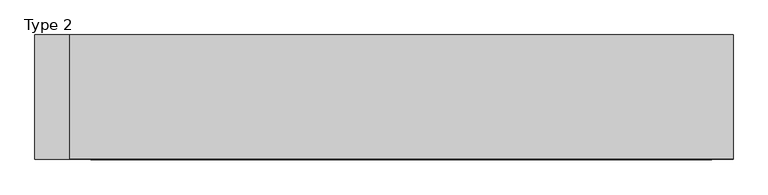
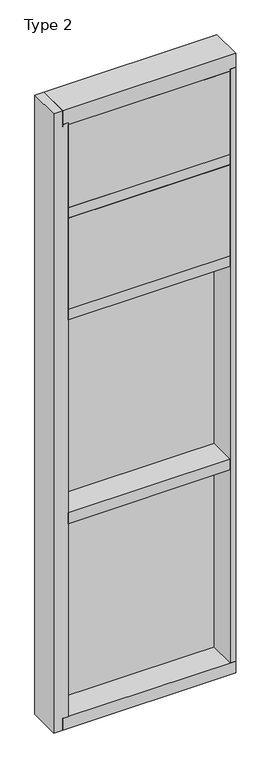
"""IFC4 building model written with IfcOpenShell, lengths in millimetres: plate geometry, Type 2."""

from ifc_helpers import new_model, si_unit, frame, origin, place, context, project, spatial, polyline, outline, extrude, faceted_brep, source, transform, mapped, element, save


def type_2_61697521(model_context):
    return source(origin(), model_context, "Body", "SolidModel", [
        extrude(outline(polyline([(490.1108975, 27.6881517), (490.1108975, 11.2982336), (477.4119867, 11.2982336), (477.4119867, 27.6881517), (490.1108975, 27.6881517)])), frame((0.0, 0.0, 1225.55), z_axis=(0.0, 0.0, 1.0), x_axis=(1.0, 0.0, 0.0)), (0.0, 0.0, 1.0), 1206.5),
        extrude(outline(polyline([(-477.4119867, 27.6881517), (-477.4119867, 11.2982336), (-490.1108975, 11.2982336), (-490.1108975, 27.6881517), (-477.4119867, 27.6881517)])), frame((0.0, 0.0, 1225.55), z_axis=(0.0, 0.0, 1.0), x_axis=(1.0, 0.0, 0.0)), (0.0, 0.0, 1.0), 1206.5),
        extrude(outline(polyline([(477.4119867, 27.686), (477.4119867, 2.286), (-477.4119867, 2.286), (-477.4119867, 27.686), (477.4119867, 27.686)])), frame((0.0, 0.0, 1225.55), z_axis=(0.0, 0.0, 1.0), x_axis=(1.0, 0.0, 0.0)), (0.0, 0.0, 1.0), 1206.5),
        extrude(outline(polyline([(490.1108975, 27.686), (490.1108975, 6.35), (-490.1108975, 6.35), (-490.1108975, 27.686), (490.1108975, 27.686)])), frame((0.0, 0.0, 2432.05), z_axis=(0.0, 0.0, 1.0), x_axis=(1.0, 0.0, 0.0)), (0.0, 0.0, 1.0), 12.7),
        extrude(outline(polyline([(458.3619867, -48.6409999), (458.3619867, -156.32684), (-458.3608975, -156.32684), (-458.3608975, -48.6409999), (458.3619867, -48.6409999)])), frame((0.0, 0.0, 2470.15), z_axis=(0.0, 0.0, 1.0), x_axis=(1.0, 0.0, 0.0)), (0.0, 0.0, 1.0), 546.1993556),
        extrude(outline(polyline([(490.1108975, 27.686), (490.1108975, 6.35), (-490.1108975, 6.35), (-490.1108975, 27.686), (490.1108975, 27.686)])), frame((0.0, 0.0, 3041.65), z_axis=(0.0, 0.0, 1.0), x_axis=(1.0, 0.0, 0.0)), (0.0, 0.0, 1.0), 12.7),
        extrude(outline(polyline([(490.1108975, 27.6881517), (490.1108975, 11.2982336), (477.4119867, 11.2982336), (477.4119867, 27.6881517), (490.1108975, 27.6881517)])), frame((0.0, 0.0, 2444.75), z_axis=(0.0, 0.0, 1.0), x_axis=(1.0, 0.0, 0.0)), (0.0, 0.0, 1.0), 596.9),
        extrude(outline(polyline([(-477.4119867, 27.6881517), (-477.4119867, 11.2982336), (-490.1108975, 11.2982336), (-490.1108975, 27.6881517), (-477.4119867, 27.6881517)])), frame((0.0, 0.0, 2444.75), z_axis=(0.0, 0.0, 1.0), x_axis=(1.0, 0.0, 0.0)), (0.0, 0.0, 1.0), 596.9),
        extrude(outline(polyline([(477.4119867, 27.686), (477.4119867, 2.286), (-477.4119867, 2.286), (-477.4119867, 27.686), (477.4119867, 27.686)])), frame((0.0, 0.0, 2444.75), z_axis=(0.0, 0.0, 1.0), x_axis=(1.0, 0.0, 0.0)), (0.0, 0.0, 1.0), 596.9),
        faceted_brep([(-540.9108975, -155.9814, 3670.3), (-490.1108975, -155.9814, 3670.3), (-490.1108975, 27.686, 3670.3), (-540.9108975, 27.686, 3670.3), (-540.9108975, -155.9814, -38.1), (-540.9108975, 27.686, -38.1), (-490.1108975, 27.686, -38.1), (-490.1108975, -155.9814, -38.1), (-490.1108975, -155.9814, 31.75), (-458.3608975, -155.9814, 31.75), (-458.3608975, -155.9814, 3587.75), (-490.1108975, -155.9814, 3587.75), (-490.1108975, 2.286, 3587.75), (-490.1108975, 2.286, 31.75), (-458.3608975, 2.286, 3587.75), (-458.3608975, 2.286, 31.75)], [[[0, 1, 2, 3]], [[4, 5, 6, 7]], [[0, 4, 7, 8, 9, 10, 11, 1]], [[1, 11, 12, 13, 8, 7, 6, 2]], [[3, 5, 4, 0]], [[2, 6, 5, 3]], [[12, 11, 10, 14]], [[8, 13, 15, 9]], [[10, 9, 15, 14]], [[14, 15, 13, 12]]]),
        extrude(outline(polyline([(490.1108975, -155.9814), (458.3608975, -155.9814), (458.3608975, 2.286), (490.1108975, 2.286), (490.1108975, -155.9814)])), frame((0.0, 0.0, 31.75), z_axis=(0.0, 0.0, 1.0), x_axis=(1.0, 0.0, 0.0)), (0.0, 0.0, 1.0), 3556.0),
        extrude(outline(polyline([(458.3619867, -48.6409999), (458.3619867, -156.32684), (-458.3608975, -156.32684), (-458.3608975, -48.6409999), (458.3619867, -48.6409999)])), frame((0.0, 0.0, 3079.75), z_axis=(0.0, 0.0, 1.0), x_axis=(1.0, 0.0, 0.0)), (0.0, 0.0, 1.0), 495.3984372),
        extrude(outline(polyline([(490.1108975, 27.686), (490.1108975, 6.35), (-490.1108975, 6.35), (-490.1108975, 27.686), (490.1108975, 27.686)])), frame((0.0, 0.0, 3594.1), z_axis=(0.0, 0.0, 1.0), x_axis=(1.0, 0.0, 0.0)), (0.0, 0.0, 1.0), 12.7),
        extrude(outline(polyline([(490.1108975, 27.6881517), (490.1108975, 11.2982336), (477.4119867, 11.2982336), (477.4119867, 27.6881517), (490.1108975, 27.6881517)])), frame((0.0, 0.0, 3054.35), z_axis=(0.0, 0.0, 1.0), x_axis=(1.0, 0.0, 0.0)), (0.0, 0.0, 1.0), 539.75),
        extrude(outline(polyline([(-477.4119867, 27.6881517), (-477.4119867, 11.2982336), (-490.1108975, 11.2982336), (-490.1108975, 27.6881517), (-477.4119867, 27.6881517)])), frame((0.0, 0.0, 3054.35), z_axis=(0.0, 0.0, 1.0), x_axis=(1.0, 0.0, 0.0)), (0.0, 0.0, 1.0), 539.75),
        extrude(outline(polyline([(477.4119867, 27.686), (477.4119867, 2.286), (-477.4119867, 2.286), (-477.4119867, 27.686), (477.4119867, 27.686)])), frame((0.0, 0.0, 3054.35), z_axis=(0.0, 0.0, 1.0), x_axis=(1.0, 0.0, 0.0)), (0.0, 0.0, 1.0), 539.75),
        extrude(outline(polyline([(490.1108975, 27.6881517), (490.1108975, 11.2982336), (477.4119867, 11.2982336), (477.4119867, 27.6881517), (490.1108975, 27.6881517)])), frame((0.0, 0.0, 6.35), z_axis=(0.0, 0.0, 1.0), x_axis=(1.0, 0.0, 0.0)), (0.0, 0.0, 1.0), 1206.5),
        extrude(outline(polyline([(-477.4119867, 27.6881517), (-477.4119867, 11.2982336), (-490.1108975, 11.2982336), (-490.1108975, 27.6881517), (-477.4119867, 27.6881517)])), frame((0.0, 0.0, 6.35), z_axis=(0.0, 0.0, 1.0), x_axis=(1.0, 0.0, 0.0)), (0.0, 0.0, 1.0), 1206.5),
        extrude(outline(polyline([(477.4119867, 27.686), (477.4119867, 2.286), (-477.4119867, 2.286), (-477.4119867, 27.686), (477.4119867, 27.686)])), frame((0.0, 0.0, 6.35), z_axis=(0.0, 0.0, 1.0), x_axis=(1.0, 0.0, 0.0)), (0.0, 0.0, 1.0), 1206.5),
        extrude(outline(polyline([(490.1108975, 27.686), (490.1108975, 6.35), (-490.1108975, 6.35), (-490.1108975, 27.686), (490.1108975, 27.686)])), frame((0.0, 0.0, 1212.85), z_axis=(0.0, 0.0, 1.0), x_axis=(1.0, 0.0, 0.0)), (0.0, 0.0, 1.0), 12.7),
        extrude(outline(polyline([(-458.3608975, -155.4734), (-458.3608975, 2.286), (458.3608975, 2.286), (458.3608975, -155.4734), (-458.3608975, -155.4734)])), frame((0.0, 0.0, 1187.45), z_axis=(0.0, 0.0, 1.0), x_axis=(1.0, 0.0, 0.0)), (0.0, 0.0, 1.0), 63.5),
        extrude(outline(polyline([(-458.3608975, -155.4734), (-458.3608975, 2.286), (458.3608975, 2.286), (458.3608975, -155.4734), (-458.3608975, -155.4734)])), frame((0.0, 0.0, 2406.65), z_axis=(0.0, 0.0, 1.0), x_axis=(1.0, 0.0, 0.0)), (0.0, 0.0, 1.0), 63.5),
        extrude(outline(polyline([(-490.1108975, 5.0946564), (-490.1108975, 27.6881517), (490.1108975, 27.6881517), (490.1108975, 5.0946564), (-490.1108975, 5.0946564)])), frame((0.0, 0.0, -6.2984797), z_axis=(0.0, 0.0, 1.0), x_axis=(1.0, 0.0, 0.0)), (0.0, 0.0, 1.0), 12.6484797),
        extrude(outline(polyline([(27.686, 3670.3), (27.686, 3606.8000642), (2.286, 3606.8000642), (2.286, 3575.0500939), (-155.4734, 3575.0500939), (-155.4734, 3670.3), (27.686, 3670.3)])), frame((-490.1108975, 0.0, 0.0), z_axis=(1.0, 0.0, 0.0), x_axis=(0.0, 1.0, 0.0)), (0.0, 0.0, 1.0), 980.2217951),
        extrude(outline(polyline([(-458.3608975, -155.4734), (-458.3608975, 2.2859999), (458.3608975, 2.2859999), (458.3608975, -155.4734), (-458.3608975, -155.4734)])), frame((0.0, 0.0, 3016.25), z_axis=(0.0, 0.0, 1.0), x_axis=(1.0, 0.0, 0.0)), (0.0, 0.0, 1.0), 63.5),
        extrude(outline(polyline([(2.2859999, 31.75), (2.2859999, -6.2983857), (27.6858239, -6.2983857), (27.6858239, -38.1), (-155.6004, -38.1), (-155.6004, 31.75), (2.2859999, 31.75)])), frame((-490.1108975, 0.0, 0.0), z_axis=(1.0, 0.0, 0.0), x_axis=(0.0, 1.0, 0.0)), (0.0, 0.0, 1.0), 980.2217951),
    ])


if __name__ == "__main__":
    model = new_model("IFC4")
    model_context = context("Model", 3, world=origin())
    ifc_project = project(units=[si_unit("LENGTHUNIT", "METRE", prefix="MILLI")], contexts=[model_context])
    site = spatial("IfcSite", under=ifc_project)
    building = spatial("IfcBuilding", under=site)
    placement = place(None, origin())
    type_2_shape = type_2_61697521(model_context)
    element("IfcPlate", 1, ObjectType="Type 2", at=placement, inside=building, context=model_context, shape_type="MappedRepresentation", body=[
        mapped(type_2_shape, transform((0.0, 0.0, 0.0), x_axis=(1.0, 0.0, 0.0), y_axis=(0.0, 1.0, 0.0), z_axis=(0.0, 0.0, 1.0))),
    ])
    save(model, "model.ifc")
